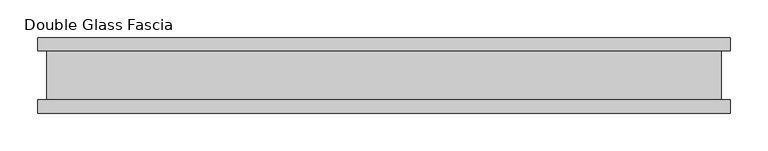
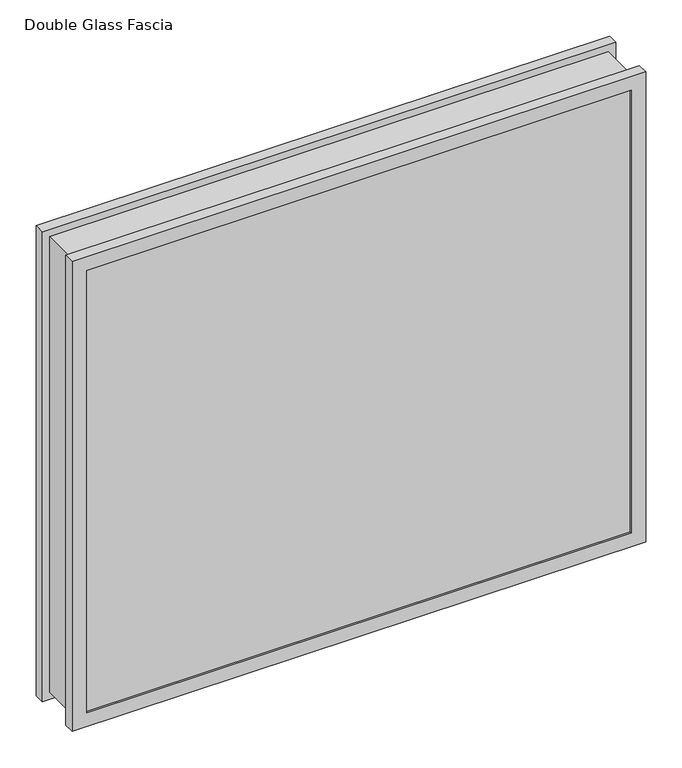
"""IFC4 building model written with IfcOpenShell, lengths in millimetres: proxy geometry, Double Glass Fascia."""

from ifc_helpers import new_model, si_unit, frame, origin, place, context, project, spatial, polyline, outline, extrude, faceted_brep, source, transform, mapped, element, save


def double_glass_fascia_243d8487(model_context):
    return source(origin(), model_context, "Body", "SolidModel", [
        faceted_brep([(447.3927522, 32.4352299, 787.400885), (447.3927522, -32.4352299, 787.400885), (447.3927522, -32.4352299, 15.0359151), (447.3927522, 32.4352299, 15.0359151), (-447.3927522, -32.4352299, 15.0359151), (-447.3927522, 32.4352299, 15.0359151), (-447.3927522, -32.4352299, 787.400885), (-447.3927522, 32.4352299, 787.400885), (436.2158673, -38.8962152, 776.2240001), (436.2158673, 38.8962152, 776.2240001), (436.2158673, 38.8962152, 26.2128), (436.2158673, -38.8962152, 26.2128), (452.9505066, -47.1322551, 792.9586393), (452.9505066, -38.8962152, 792.9586393), (452.9505066, -38.8962152, 9.4781608), (452.9505066, -47.1322551, 9.4781608), (436.0380673, -50.0558594, 776.0462001), (436.0380673, -47.1322551, 776.0462001), (436.0380673, -47.1322551, 26.3906), (436.0380673, -50.0558594, 26.3906), (459.2536673, -32.4352299, 799.2618001), (459.2536673, -50.0558594, 799.2618001), (459.2536673, -50.0558594, 3.175), (459.2536673, -32.4352299, 3.175), (-436.2158673, 38.8962152, 26.2128), (-436.2158673, -38.8962152, 26.2128), (-452.9505066, -38.8962152, 9.4781608), (-452.9505066, -47.1322551, 9.4781608), (-436.0380673, -47.1322551, 26.3906), (-436.0380673, -50.0558594, 26.3906), (-459.2536673, -50.0558594, 3.175), (-459.2536673, -32.4352299, 3.175), (-436.2158673, 38.8962152, 776.2240001), (-436.2158673, -38.8962152, 776.2240001), (-452.9505066, -38.8962152, 792.9586393), (-452.9505066, -47.1322551, 792.9586393), (-436.0380673, -47.1322551, 776.0462001), (-436.0380673, -50.0558594, 776.0462001), (-459.2536673, -50.0558594, 799.2618001), (-459.2536673, -32.4352299, 799.2618001), (459.2536673, 50.0558594, 799.2618001), (459.2536673, 32.4352299, 799.2618001), (459.2536673, 32.4352299, 3.175), (459.2536673, 50.0558594, 3.175), (436.2158673, 47.1322551, 776.2240001), (436.2158673, 50.0558594, 776.2240001), (436.2158673, 50.0558594, 26.2128), (436.2158673, 47.1322551, 26.2128), (452.9505066, 38.8962152, 792.9586393), (452.9505066, 47.1322551, 792.9586393), (452.9505066, 47.1322551, 9.4781608), (452.9505066, 38.8962152, 9.4781608), (-459.2536673, 32.4352299, 3.175), (-459.2536673, 50.0558594, 3.175), (-436.2158673, 50.0558594, 26.2128), (-436.2158673, 47.1322551, 26.2128), (-452.9505066, 47.1322551, 9.4781608), (-452.9505066, 38.8962152, 9.4781608), (-459.2536673, 32.4352299, 799.2618001), (-459.2536673, 50.0558594, 799.2618001), (-436.2158673, 50.0558594, 776.2240001), (-436.2158673, 47.1322551, 776.2240001), (-452.9505066, 47.1322551, 792.9586393), (-452.9505066, 38.8962152, 792.9586393)], [[[0, 1, 2, 3]], [[3, 2, 4, 5]], [[5, 4, 6, 7]], [[7, 6, 1, 0]], [[8, 9, 10, 11]], [[12, 13, 14, 15]], [[16, 17, 18, 19]], [[20, 21, 22, 23]], [[11, 10, 24, 25]], [[15, 14, 26, 27]], [[19, 18, 28, 29]], [[23, 22, 30, 31]], [[25, 24, 32, 33]], [[27, 26, 34, 35]], [[29, 28, 36, 37]], [[31, 30, 38, 39]], [[33, 32, 9, 8]], [[13, 34, 26, 14], [11, 25, 33, 8]], [[35, 34, 13, 12]], [[15, 27, 35, 12], [17, 36, 28, 18]], [[37, 36, 17, 16]], [[21, 38, 30, 22], [19, 29, 37, 16]], [[39, 38, 21, 20]], [[23, 31, 39, 20], [1, 6, 4, 2]], [[40, 41, 42, 43]], [[44, 45, 46, 47]], [[48, 49, 50, 51]], [[43, 42, 52, 53]], [[47, 46, 54, 55]], [[51, 50, 56, 57]], [[53, 52, 58, 59]], [[55, 54, 60, 61]], [[57, 56, 62, 63]], [[41, 58, 52, 42], [3, 5, 7, 0]], [[59, 58, 41, 40]], [[43, 53, 59, 40], [45, 60, 54, 46]], [[61, 60, 45, 44]], [[49, 62, 56, 50], [47, 55, 61, 44]], [[63, 62, 49, 48]], [[51, 57, 63, 48], [9, 32, 24, 10]]]),
        extrude(outline(polyline([(448.4286674, -40.9277344), (448.4286674, -46.8808594), (-448.4286674, -46.8808594), (-448.4286674, -40.9277344), (448.4286674, -40.9277344)])), frame((0.0, 0.0, 5.3275263), z_axis=(0.0, 0.0, 1.0), x_axis=(1.0, 0.0, 0.0)), (0.0, 0.0, 1.0), 791.2877281),
        extrude(outline(polyline([(448.4286674, 41.1791301), (-448.4286674, 41.1791301), (-448.4286674, 47.1322551), (448.4286674, 47.1322551), (448.4286674, 41.1791301)])), frame((0.0, 0.0, 5.3275263), z_axis=(0.0, 0.0, 1.0), x_axis=(1.0, 0.0, 0.0)), (0.0, 0.0, 1.0), 791.2877281),
    ])


if __name__ == "__main__":
    model = new_model("IFC4")
    model_context = context("Model", 3, world=origin())
    ifc_project = project(units=[si_unit("LENGTHUNIT", "METRE", prefix="MILLI")], contexts=[model_context])
    site = spatial("IfcSite", under=ifc_project)
    building = spatial("IfcBuilding", under=site)
    placement = place(None, origin())
    double_glass_fascia_shape = double_glass_fascia_243d8487(model_context)
    element("IfcBuildingElementProxy", 1, Name="Double Glass Fascia", ObjectType="Double Glass Fascia", at=placement, inside=building, context=model_context, shape_type="MappedRepresentation", body=[
        mapped(double_glass_fascia_shape, transform((0.0, 0.0, 0.0), x_axis=(1.0, 0.0, 0.0), y_axis=(0.0, 1.0, 0.0), z_axis=(0.0, 0.0, 1.0))),
    ])
    save(model, "model.ifc")
